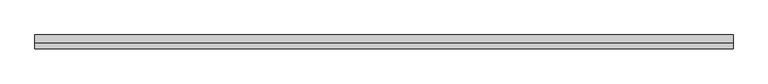
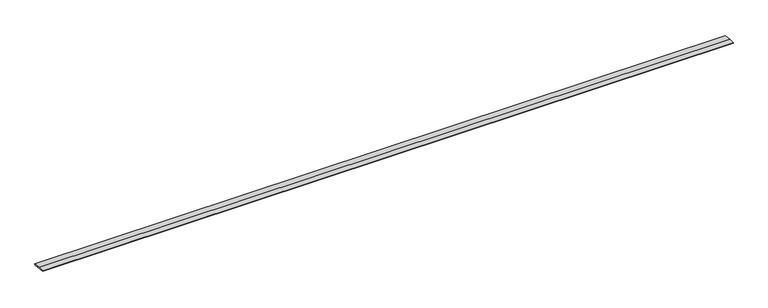
"""IFC4 building model written with IfcOpenShell, lengths in millimetres: beam geometry."""

from ifc_helpers import new_model, si_unit, frame, origin, place, context, project, spatial, polyline, outline, extrude, source, transform, mapped, element, save


def beam_17126593(model_context):
    return source(origin(), model_context, "Body", "SweptSolid", [
        extrude(outline(polyline([(0.0, -9.143159), (1.1226388, 0.0), (79.0749747, 0.0), (180.9387048, -12.5072934), (178.6231873, -31.3656703), (0.0, -9.143159)])), frame((-4595.0, 0.0, 0.0), z_axis=(1.0, 0.0, 0.0), x_axis=(0.0, 1.0, 0.0)), (0.0, 0.0, 1.0), 9190.0),
    ])


if __name__ == "__main__":
    model = new_model("IFC4")
    model_context = context("Model", 3, world=origin())
    ifc_project = project(units=[si_unit("LENGTHUNIT", "METRE", prefix="MILLI")], contexts=[model_context])
    site = spatial("IfcSite", under=ifc_project)
    building = spatial("IfcBuilding", under=site)
    placement = place(None, origin())
    beam_shape = beam_17126593(model_context)
    element("IfcBeam", 1, at=placement, inside=building, context=model_context, shape_type="MappedRepresentation", body=[
        mapped(beam_shape, transform((0.0, 0.0, 0.0), x_axis=(1.0, 0.0, 0.0), y_axis=(0.0, 1.0, 0.0), z_axis=(0.0, 0.0, 1.0))),
    ])
    save(model, "model.ifc")
